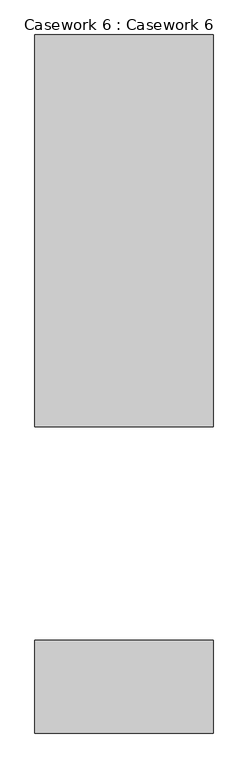
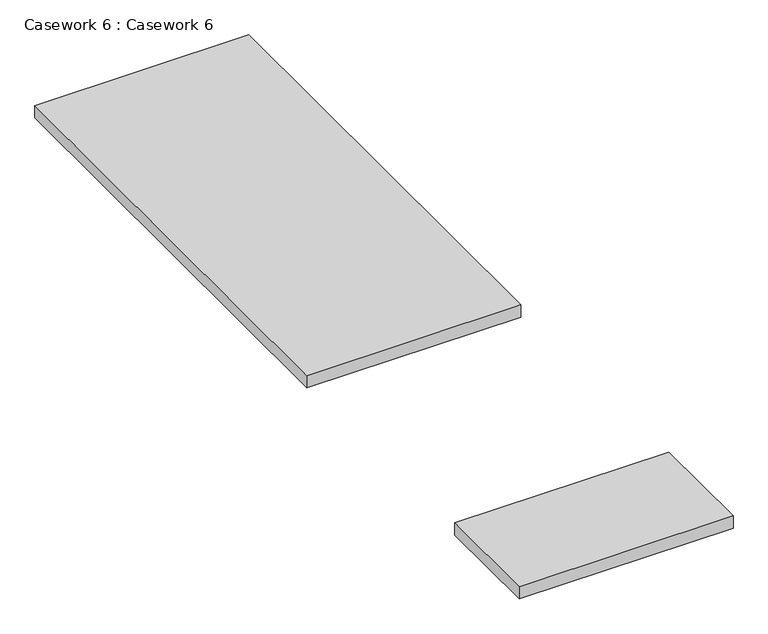
"""IFC4 building model written with IfcOpenShell, lengths in millimetres: furniture geometry, Casework 6 : Casework 6."""

from ifc_helpers import new_model, si_unit, frame, origin, place, context, project, spatial, polyline, outline, extrude, source, transform, mapped, element, save


def casework_6_casework_6_211764ac(model_context):
    return source(origin(), model_context, "Body", "SweptSolid", [
        extrude(outline(polyline([(-8877.7642944, 5173.1168543), (-8877.7642944, 3776.1168543), (-9512.7642944, 3776.1168543), (-9512.7642944, 5173.1168543), (-8877.7642944, 5173.1168543)])), frame((0.0, 0.0, 876.3), z_axis=(0.0, 0.0, 1.0), x_axis=(1.0, 0.0, 0.0)), (0.0, 0.0, 1.0), 38.1),
        extrude(outline(polyline([(-8877.7642944, 3014.7356968), (-8877.7642944, 2683.9168543), (-9512.7642944, 2683.9168543), (-9512.7642944, 3014.7356968), (-8877.7642944, 3014.7356968)])), frame((0.0, 0.0, 876.3), z_axis=(0.0, 0.0, 1.0), x_axis=(1.0, 0.0, 0.0)), (0.0, 0.0, 1.0), 38.1),
    ])


if __name__ == "__main__":
    model = new_model("IFC4")
    model_context = context("Model", 3, world=origin())
    ifc_project = project(units=[si_unit("LENGTHUNIT", "METRE", prefix="MILLI")], contexts=[model_context])
    site = spatial("IfcSite", under=ifc_project)
    building = spatial("IfcBuilding", under=site)
    placement = place(None, origin())
    casework_6_casework_6_shape = casework_6_casework_6_211764ac(model_context)
    element("IfcFurniture", 1, ObjectType="Casework 6 : Casework 6", at=placement, inside=building, context=model_context, shape_type="MappedRepresentation", body=[
        mapped(casework_6_casework_6_shape, transform((0.0, 0.0, 0.0), x_axis=(1.0, 0.0, 0.0), y_axis=(0.0, 1.0, 0.0), z_axis=(0.0, 0.0, 1.0))),
    ])
    save(model, "model.ifc")
